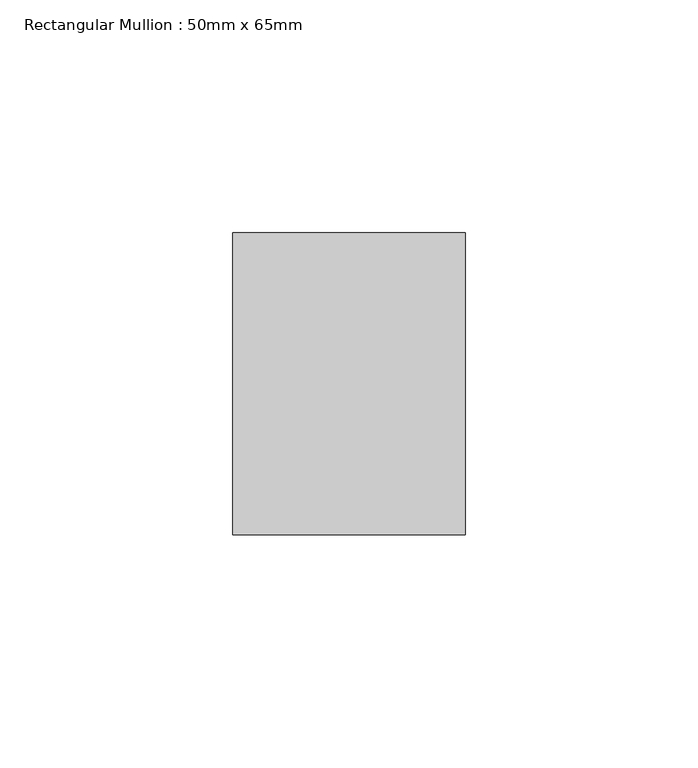
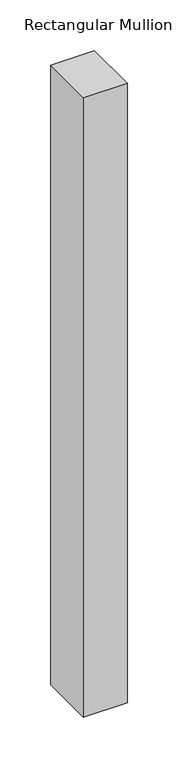
"""IFC4 building model written with IfcOpenShell, lengths in millimetres: member geometry, Rectangular Mullion : 50mm x 65mm."""

from ifc_helpers import new_model, si_unit, frame, origin, place, context, project, spatial, polyline, outline, extrude, source, transform, mapped, element, save


def rectangular_mullion_50mm_x_65mm_74612bf6(model_context):
    return source(origin(), model_context, "Body", "SweptSolid", [
        extrude(outline(polyline([(25.0, 32.5), (25.0, -32.5), (-25.0, -32.5), (-25.0, 32.5), (25.0, 32.5)])), frame((0.0, 0.0, -748.3579949), z_axis=(0.0, 0.0, 1.0), x_axis=(1.0, 0.0, 0.0)), (0.0, 0.0, 1.0), 748.3579949),
    ])


if __name__ == "__main__":
    model = new_model("IFC4")
    model_context = context("Model", 3, world=origin())
    ifc_project = project(units=[si_unit("LENGTHUNIT", "METRE", prefix="MILLI")], contexts=[model_context])
    site = spatial("IfcSite", under=ifc_project)
    building = spatial("IfcBuilding", under=site)
    placement = place(None, origin())
    rectangular_mullion_50mm_x_65mm_shape = rectangular_mullion_50mm_x_65mm_74612bf6(model_context)
    element("IfcMember", 1, ObjectType="Rectangular Mullion : 50mm x 65mm", at=placement, inside=building, context=model_context, shape_type="MappedRepresentation", body=[
        mapped(rectangular_mullion_50mm_x_65mm_shape, transform((0.0, 0.0, 0.0), x_axis=(1.0, 0.0, 0.0), y_axis=(0.0, 1.0, 0.0), z_axis=(0.0, 0.0, 1.0))),
    ])
    save(model, "model.ifc")
